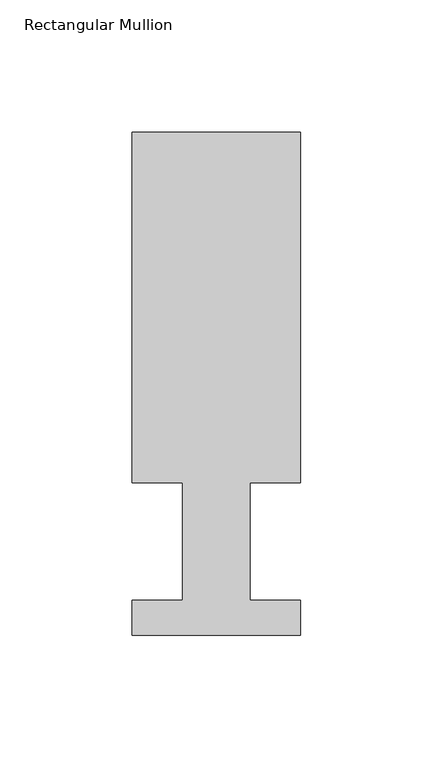
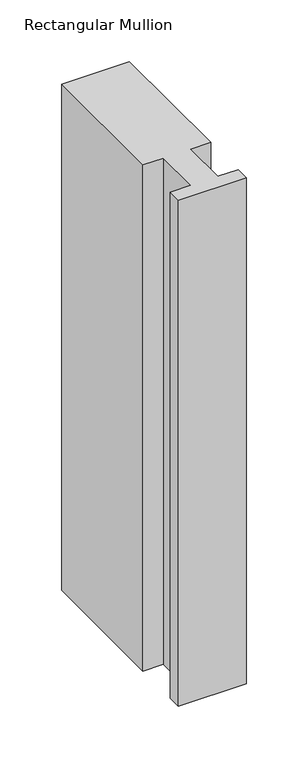
"""IFC4 building model written with IfcOpenShell, lengths in millimetres: member geometry, Rectangular Mullion."""

from ifc_helpers import new_model, si_unit, frame, origin, place, context, project, spatial, polyline, outline, extrude, source, transform, mapped, element, save


def rectangular_mullion_e943c406(model_context):
    return source(origin(), model_context, "Body", "SweptSolid", [
        extrude(outline(polyline([(-63.5, 189.8022937), (0.0, 189.8022937), (0.0, 57.6460937), (-19.0373, 57.6460937), (-19.0373, 13.1960937), (0.0, 13.1960937), (0.0, 0.0134937), (-63.5, 0.0134937), (-63.5, 13.1960937), (-44.45, 13.1960937), (-44.45, 57.6460937), (-63.5, 57.6460937), (-63.5, 189.8022937)])), frame((0.0, 0.0, -501.65), z_axis=(0.0, 0.0, 1.0), x_axis=(1.0, 0.0, 0.0)), (0.0, 0.0, 1.0), 501.65),
    ])


if __name__ == "__main__":
    model = new_model("IFC4")
    model_context = context("Model", 3, world=origin())
    ifc_project = project(units=[si_unit("LENGTHUNIT", "METRE", prefix="MILLI")], contexts=[model_context])
    site = spatial("IfcSite", under=ifc_project)
    building = spatial("IfcBuilding", under=site)
    placement = place(None, origin())
    rectangular_mullion_shape = rectangular_mullion_e943c406(model_context)
    element("IfcMember", 1, ObjectType="Rectangular Mullion", at=placement, inside=building, context=model_context, shape_type="MappedRepresentation", body=[
        mapped(rectangular_mullion_shape, transform((0.0, 0.0, 0.0), x_axis=(1.0, 0.0, 0.0), y_axis=(0.0, 1.0, 0.0), z_axis=(0.0, 0.0, 1.0))),
    ])
    save(model, "model.ifc")
